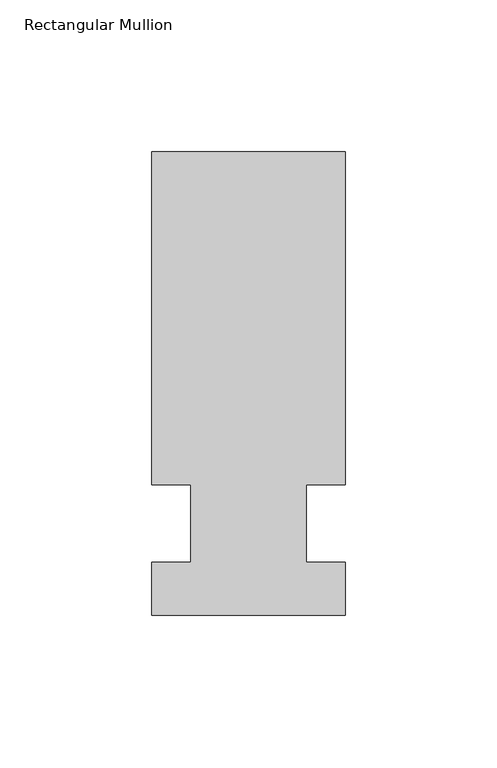
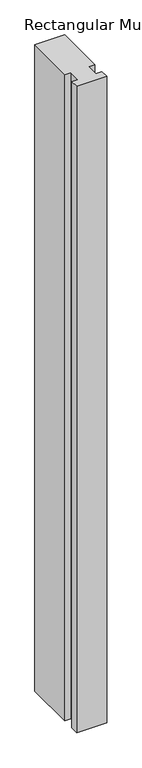
"""IFC4 building model written with IfcOpenShell, lengths in millimetres: member geometry, Rectangular Mullion."""

from ifc_helpers import new_model, si_unit, frame, origin, place, context, project, spatial, polyline, outline, extrude, source, transform, mapped, element, save


def rectangular_mullion_5140722e(model_context):
    return source(origin(), model_context, "Body", "SweptSolid", [
        extrude(outline(polyline([(36.0844027, 122.2375), (36.0844027, 12.7), (23.3826322, 12.7), (23.3826322, -12.7), (36.0844027, -12.7), (36.0844027, -30.1625), (-27.4155973, -30.1625), (-27.4155973, -12.7), (-14.7155973, -12.7), (-14.7155973, 12.7), (-27.4155973, 12.7), (-27.4155973, 122.2375), (36.0844027, 122.2375)])), frame((0.0, 0.0, -1443.5666667), z_axis=(0.0, 0.0, 1.0), x_axis=(1.0, 0.0, 0.0)), (0.0, 0.0, 1.0), 1443.5666667),
    ])


if __name__ == "__main__":
    model = new_model("IFC4")
    model_context = context("Model", 3, world=origin())
    ifc_project = project(units=[si_unit("LENGTHUNIT", "METRE", prefix="MILLI")], contexts=[model_context])
    site = spatial("IfcSite", under=ifc_project)
    building = spatial("IfcBuilding", under=site)
    placement = place(None, origin())
    rectangular_mullion_shape = rectangular_mullion_5140722e(model_context)
    element("IfcMember", 1, ObjectType="Rectangular Mullion", at=placement, inside=building, context=model_context, shape_type="MappedRepresentation", body=[
        mapped(rectangular_mullion_shape, transform((0.0, 0.0, 0.0), x_axis=(1.0, 0.0, 0.0), y_axis=(0.0, 1.0, 0.0), z_axis=(0.0, 0.0, 1.0))),
    ])
    save(model, "model.ifc")
